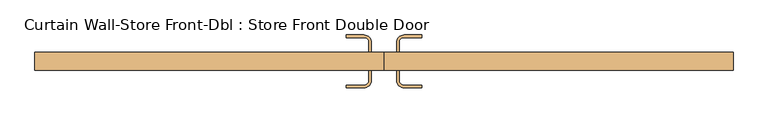
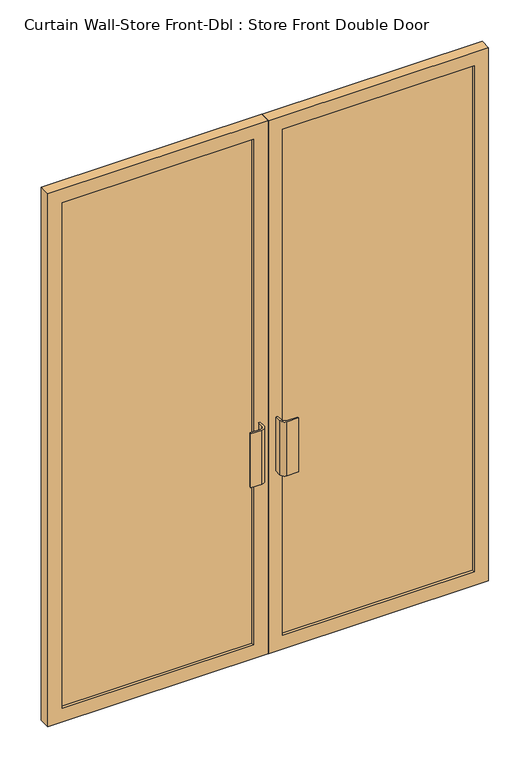
"""IFC4 building model written with IfcOpenShell, lengths in millimetres: door geometry, Curtain Wall-Store Front-Dbl : Store Front Double Door."""

from ifc_helpers import new_model, si_unit, point, frame, frame_2d, origin, place, context, project, spatial, polyline, circle_curve, trimmed, segment, composite_curve, outline, extrude, source, transform, mapped, element, save


def curtain_wall_store_front_dbl_store_front_double_door_b1cda55e(model_context):
    return source(origin(), model_context, "Body", "SweptSolid", [
        extrude(outline(composite_curve([segment(polyline([(-31.75, 12.7), (-31.75, -12.7), (-38.1, -12.7), (-38.1, 12.7)]), True, "CONTINUOUS"), segment(trimmed(circle_curve(frame_2d((-50.8, 12.7)), 12.7), [point((-38.1, 12.7))], [point((-50.8, 25.4))], True, "CARTESIAN"), True, "CONTINUOUS"), segment(polyline([(-50.8, 25.4), (-95.25, 25.4), (-95.25, 31.75), (-50.8, 31.75)]), True, "CONTINUOUS"), segment(trimmed(circle_curve(frame_2d((-50.8, 12.7)), 19.05), [point((-50.8, 31.75))], [point((-31.75, 12.7))], False, "CARTESIAN"), True, "CONTINUOUS")], self_intersect=False)), frame((0.0, 0.0, 762.0), z_axis=(0.0, 0.0, 1.0), x_axis=(1.0, 0.0, 0.0)), (0.0, 0.0, 1.0), 228.6),
        extrude(outline(composite_curve([segment(trimmed(circle_curve(frame_2d((50.8, 12.7)), 19.05), [point((31.75, 12.7))], [point((50.8, 31.75))], False, "CARTESIAN"), True, "CONTINUOUS"), segment(polyline([(50.8, 31.75), (95.25, 31.75), (95.25, 25.4), (50.8, 25.4)]), True, "CONTINUOUS"), segment(trimmed(circle_curve(frame_2d((50.8, 12.7)), 12.7), [point((50.8, 25.4))], [point((38.1, 12.7))], True, "CARTESIAN"), True, "CONTINUOUS"), segment(polyline([(38.1, 12.7), (38.1, -12.7), (31.75, -12.7), (31.75, 12.7)]), True, "CONTINUOUS")], self_intersect=False)), frame((0.0, 0.0, 762.0), z_axis=(0.0, 0.0, 1.0), x_axis=(1.0, 0.0, 0.0)), (0.0, 0.0, 1.0), 228.6),
        extrude(outline(composite_curve([segment(trimmed(circle_curve(frame_2d((-50.8, -82.55)), 19.05), [point((-31.75, -82.55))], [point((-50.8, -101.6))], False, "CARTESIAN"), True, "CONTINUOUS"), segment(polyline([(-50.8, -101.6), (-95.25, -101.6), (-95.25, -95.25), (-50.8, -95.25)]), True, "CONTINUOUS"), segment(trimmed(circle_curve(frame_2d((-50.8, -82.55)), 12.7), [point((-50.8, -95.25))], [point((-38.1, -82.55))], True, "CARTESIAN"), True, "CONTINUOUS"), segment(polyline([(-38.1, -82.55), (-38.1, -57.15), (-31.75, -57.15), (-31.75, -82.55)]), True, "CONTINUOUS")], self_intersect=False)), frame((0.0, 0.0, 762.0), z_axis=(0.0, 0.0, 1.0), x_axis=(1.0, 0.0, 0.0)), (0.0, 0.0, 1.0), 228.6),
        extrude(outline(composite_curve([segment(polyline([(31.75, -82.55), (31.75, -57.15), (38.1, -57.15), (38.1, -82.55)]), True, "CONTINUOUS"), segment(trimmed(circle_curve(frame_2d((50.8, -82.55)), 12.7), [point((38.1, -82.55))], [point((50.8, -95.25))], True, "CARTESIAN"), True, "CONTINUOUS"), segment(polyline([(50.8, -95.25), (95.25, -95.25), (95.25, -101.6), (50.8, -101.6)]), True, "CONTINUOUS"), segment(trimmed(circle_curve(frame_2d((50.8, -82.55)), 19.05), [point((50.8, -101.6))], [point((31.75, -82.55))], False, "CARTESIAN"), True, "CONTINUOUS")], self_intersect=False)), frame((0.0, 0.0, 762.0), z_axis=(0.0, 0.0, 1.0), x_axis=(1.0, 0.0, 0.0)), (0.0, 0.0, 1.0), 228.6),
        extrude(outline(polyline([(825.5, -25.4), (825.5, -44.45), (57.94375, -44.45), (57.94375, -25.4), (825.5, -25.4)])), frame((0.0, 0.0, 57.15), z_axis=(0.0, 0.0, 1.0), x_axis=(1.0, 0.0, 0.0)), (0.0, 0.0, 1.0), 2139.95),
        extrude(outline(polyline([(-57.94375, -25.4), (-57.94375, -44.45), (-825.5, -44.45), (-825.5, -25.4), (-57.94375, -25.4)])), frame((0.0, 0.0, 57.15), z_axis=(0.0, 0.0, 1.0), x_axis=(1.0, 0.0, 0.0)), (0.0, 0.0, 1.0), 2139.95),
        extrude(outline(polyline([(2254.25, 0.79375), (0.0, 0.79375), (0.0, 882.65), (2254.25, 882.65), (2254.25, 0.79375)]), holes=[polyline([(2197.1, 57.94375), (2197.1, 825.5), (57.15, 825.5), (57.15, 57.94375), (2197.1, 57.94375)])]), frame((0.0, -57.15, 0.0), z_axis=(0.0, 1.0, 0.0), x_axis=(0.0, 0.0, 1.0)), (0.0, 0.0, 1.0), 44.45),
        extrude(outline(polyline([(2254.25, -0.79375), (2254.25, -882.65), (0.0, -882.65), (0.0, -0.79375), (2254.25, -0.79375)]), holes=[polyline([(2197.1, -825.5), (2197.1, -57.94375), (57.15, -57.94375), (57.15, -825.5), (2197.1, -825.5)])]), frame((0.0, -57.15, 0.0), z_axis=(0.0, 1.0, 0.0), x_axis=(0.0, 0.0, 1.0)), (0.0, 0.0, 1.0), 44.45),
    ])


if __name__ == "__main__":
    model = new_model("IFC4")
    model_context = context("Model", 3, world=origin())
    ifc_project = project(units=[si_unit("LENGTHUNIT", "METRE", prefix="MILLI")], contexts=[model_context])
    site = spatial("IfcSite", under=ifc_project)
    building = spatial("IfcBuilding", under=site)
    placement = place(None, origin())
    curtain_wall_store_front_dbl_store_front_double_door_shape = curtain_wall_store_front_dbl_store_front_double_door_b1cda55e(model_context)
    element("IfcDoor", 1, ObjectType="Curtain Wall-Store Front-Dbl : Store Front Double Door", at=placement, inside=building, context=model_context, shape_type="MappedRepresentation", body=[
        mapped(curtain_wall_store_front_dbl_store_front_double_door_shape, transform((0.0, 0.0, 0.0), x_axis=(1.0, 0.0, 0.0), y_axis=(0.0, 1.0, 0.0), z_axis=(0.0, 0.0, 1.0))),
    ])
    save(model, "model.ifc")
